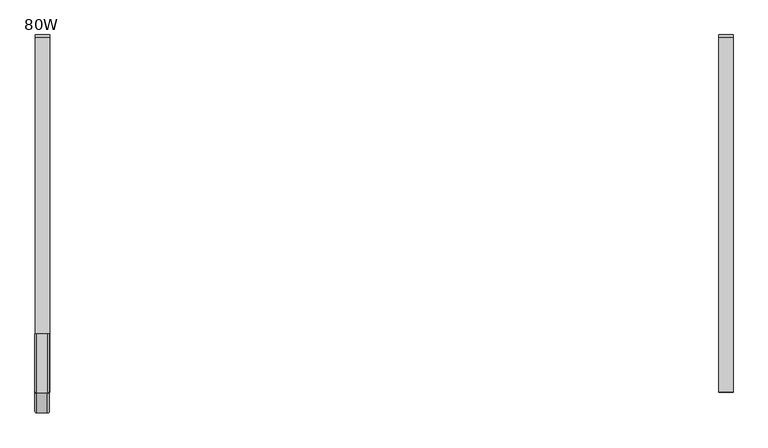
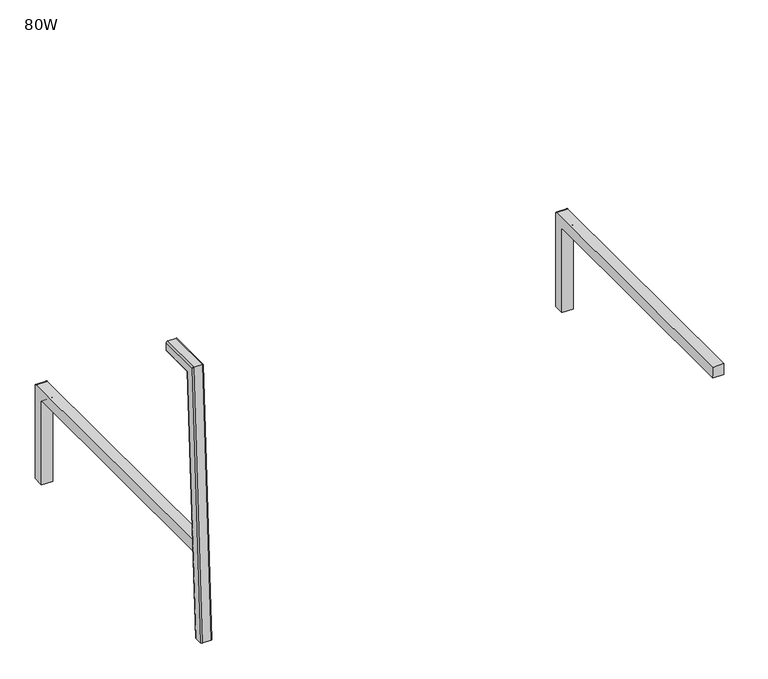
"""IFC4 building model written with IfcOpenShell, lengths in millimetres: furniture geometry, 80W."""

import ifcopenshell
import ifcopenshell.guid

model = None  # the IFC model being written
_history = None  # IfcOwnerHistory: only IFC2X3 demands one
_inside = {}  # id of a spatial element -> (the spatial element, [elements in it])
_under = {}  # id of a project, library or spatial element -> (it, [spatial elements below it])
_declared = {}  # id of a project -> (the project, [libraries it declares])
_typed = {}  # id of a type object -> (the type object, [elements of that type])
_made_of = {}  # id of a material, layer set ... -> (it, [elements and type objects made of it])


def new_model(schema):
    """Start an empty IFC model of exactly this schema.

    Asked for "IFC4X3", IfcOpenShell would pick the latest addendum, in which some entities
    have other attributes; the version numbers below select the first issue.
    IFC2X3 requires an IfcOwnerHistory on every rooted entity: one is made here for all.
    """
    global model, _history
    if schema == "IFC4X3":
        model = ifcopenshell.file(schema_version=(4, 3, 0, 0))
    else:
        model = ifcopenshell.file(schema=schema)
    _inside.clear()
    _under.clear()
    _declared.clear()
    _typed.clear()
    _made_of.clear()
    _history = None
    if model.schema == "IFC2X3":
        org = make("IfcOrganization", Name="unknown")
        user = make(
            "IfcPersonAndOrganization",
            ThePerson=make("IfcPerson", FamilyName="unknown"),
            TheOrganization=org,
        )
        app = make(
            "IfcApplication",
            ApplicationDeveloper=org,
            Version="unknown",
            ApplicationFullName="unknown",
            ApplicationIdentifier="unknown",
        )
        _history = make(
            "IfcOwnerHistory",
            OwningUser=user,
            OwningApplication=app,
            ChangeAction="ADDED",
            CreationDate=0,
        )
    return model


def make(cls, **values):
    """One entity of the class cls with the attributes given. An attribute that is None is left unset."""
    return model.create_entity(
        cls, **{name: value for name, value in values.items() if value is not None}
    )


def rooted(cls, **values):
    """An entity with a GlobalId (a new one), such as an element, a storey or a relation."""
    return make(cls, GlobalId=ifcopenshell.guid.new(), OwnerHistory=_history, **values)


def si_unit(unit_type, name, prefix=None):
    """IfcSIUnit, for example si_unit("LENGTHUNIT", "METRE", prefix="MILLI")."""
    return make("IfcSIUnit", UnitType=unit_type, Prefix=prefix, Name=name)


def assignment(units):
    """IfcUnitAssignment: the units of a project."""
    return None if units is None else make("IfcUnitAssignment", Units=units)


def point(xyz):
    """IfcCartesianPoint."""
    return None if xyz is None else make("IfcCartesianPoint", Coordinates=xyz)


def direction(xyz):
    """IfcDirection."""
    return None if xyz is None else make("IfcDirection", DirectionRatios=xyz)


def frame(location, z_axis=None, x_axis=None):
    """IfcAxis2Placement3D, a coordinate frame: its origin and axes. An axis left out is left unset."""
    return make(
        "IfcAxis2Placement3D",
        Location=point(location),
        Axis=direction(z_axis),
        RefDirection=direction(x_axis),
    )


def frame_2d(location, x_axis=None):
    """IfcAxis2Placement2D, a coordinate frame in the plane: its origin and x axis."""
    return make(
        "IfcAxis2Placement2D", Location=point(location), RefDirection=direction(x_axis)
    )


def origin():
    """The frame at (0, 0, 0) with its axes left unset."""
    return frame((0.0, 0.0, 0.0))


def place(relative_to, where):
    """IfcLocalPlacement: puts the frame where relative to a parent placement (None: the world)."""
    return make(
        "IfcLocalPlacement", PlacementRelTo=relative_to, RelativePlacement=where
    )


def context(
    kind, dimensions, precision=None, world=None, true_north=None, identifier=None
):
    """IfcGeometricRepresentationContext, for example the 3D "Model" context."""
    return make(
        "IfcGeometricRepresentationContext",
        ContextIdentifier=identifier,
        ContextType=kind,
        CoordinateSpaceDimension=dimensions,
        Precision=precision,
        WorldCoordinateSystem=world,
        TrueNorth=true_north,
    )


def project(units=None, contexts=None):
    """IfcProject with its units and contexts."""
    return rooted(
        "IfcProject",
        Name="project",
        RepresentationContexts=contexts,
        UnitsInContext=assignment(units),
    )


def spatial(cls, under=None, at=None, **own):
    """A site, building, storey or space (cls), placed at a placement, below another one or the project."""
    s = rooted(cls, ObjectPlacement=at, **own)
    if under is not None:
        _under.setdefault(under.id(), (under, []))[1].append(s)
    return s


def polyline(points):
    """IfcPolyline through the points."""
    return make("IfcPolyline", Points=[point(p) for p in points])


def circle_curve(where, radius):
    """IfcCircle in the frame where."""
    return make("IfcCircle", Position=where, Radius=radius)


def ellipse_curve(where, semi_axis1, semi_axis2):
    """IfcEllipse in the frame where."""
    return make(
        "IfcEllipse", Position=where, SemiAxis1=semi_axis1, SemiAxis2=semi_axis2
    )


def trimmed(basis, trim1, trim2, sense, master):
    """IfcTrimmedCurve: the piece of a basis curve between two trims."""
    return make(
        "IfcTrimmedCurve",
        BasisCurve=basis,
        Trim1=trim1,
        Trim2=trim2,
        SenseAgreement=sense,
        MasterRepresentation=master,
    )


def segment(curve, same_sense, transition):
    """IfcCompositeCurveSegment."""
    return make(
        "IfcCompositeCurveSegment",
        Transition=transition,
        SameSense=same_sense,
        ParentCurve=curve,
    )


def composite_curve(segments, self_intersect=None):
    """IfcCompositeCurve: segments joined end to end."""
    return make("IfcCompositeCurve", Segments=segments, SelfIntersect=self_intersect)


def outline(outer, holes=None, kind="AREA"):
    """IfcArbitraryClosedProfileDef: a profile drawn as a closed curve; with holes, ...WithVoids."""
    if holes is None:
        return make("IfcArbitraryClosedProfileDef", ProfileType=kind, OuterCurve=outer)
    return make(
        "IfcArbitraryProfileDefWithVoids",
        ProfileType=kind,
        OuterCurve=outer,
        InnerCurves=holes,
    )


def extrude(swept, where, along, depth):
    """IfcExtrudedAreaSolid: the profile swept, set in the frame where, extruded along a direction by depth."""
    return make(
        "IfcExtrudedAreaSolid",
        SweptArea=swept,
        Position=where,
        ExtrudedDirection=direction(along),
        Depth=depth,
    )


def shape(context_of_items, identifier, shape_type, items):
    """IfcShapeRepresentation: the items that make up one representation, for example the "Body"."""
    return make(
        "IfcShapeRepresentation",
        ContextOfItems=context_of_items,
        RepresentationIdentifier=identifier,
        RepresentationType=shape_type,
        Items=items,
    )


def source(mapping_origin, context_of_items, identifier, shape_type, items):
    """IfcRepresentationMap: a shape defined once, which mapped items show again and again."""
    return make(
        "IfcRepresentationMap",
        MappingOrigin=mapping_origin,
        MappedRepresentation=shape(context_of_items, identifier, shape_type, items),
    )


def transform(
    local_origin,
    x_axis=None,
    y_axis=None,
    z_axis=None,
    scale=None,
    scale2=None,
    scale3=None,
    uniform=True,
):
    """IfcCartesianTransformationOperator3D, or its non-uniform kind. x_axis, y_axis, z_axis: its Axis1, 2, 3."""
    if uniform:
        return make(
            "IfcCartesianTransformationOperator3D",
            Axis1=direction(x_axis),
            Axis2=direction(y_axis),
            LocalOrigin=point(local_origin),
            Scale=scale,
            Axis3=direction(z_axis),
        )
    return make(
        "IfcCartesianTransformationOperator3DnonUniform",
        Axis1=direction(x_axis),
        Axis2=direction(y_axis),
        LocalOrigin=point(local_origin),
        Scale=scale,
        Axis3=direction(z_axis),
        Scale2=scale2,
        Scale3=scale3,
    )


def mapped(mapping_source, mapping_target):
    """IfcMappedItem: shows the shape of a source again, moved by a transform."""
    return make(
        "IfcMappedItem", MappingSource=mapping_source, MappingTarget=mapping_target
    )


def made_of(thing, what):
    """Note that an element or type object is made of a material, layer set ...; save() writes the relation."""
    if what is not None:
        _made_of.setdefault(what.id(), (what, []))[1].append(thing)
    return thing


def element(
    cls,
    number,
    at=None,
    inside=None,
    cuts=None,
    type_object=None,
    material=None,
    context=None,
    identifier="Body",
    shape_type=None,
    held_by="IfcProductDefinitionShape",
    body=None,
    shapes=None,
    **own,
):
    """One element of the class cls, such as IfcWall. Its Tag is "e" and its number.

    at: its placement. inside: the storey or other place that contains it. cuts: it is an
    opening in that element (IfcRelVoidsElement). A single representation is given by context,
    identifier, shape_type and body (its items); several are given by shapes. held_by: the class
    of the entity that holds the representations. save() writes the other relations.
    """
    e = rooted(cls, Tag="e%d" % number, ObjectPlacement=at, **own)
    if body is not None:
        shapes = [shape(context, identifier, shape_type, body)]
    if shapes is not None:
        e.Representation = make(held_by, Representations=shapes)
    if inside is not None:
        _inside.setdefault(inside.id(), (inside, []))[1].append(e)
    if cuts is not None:
        rooted(
            "IfcRelVoidsElement", RelatingBuildingElement=cuts, RelatedOpeningElement=e
        )
    if type_object is not None:
        _typed.setdefault(type_object.id(), (type_object, []))[1].append(e)
    return made_of(e, material)


def aggregate(whole, parts):
    """IfcRelAggregates: a whole, such as a stair, and the parts it consists of."""
    return rooted("IfcRelAggregates", RelatingObject=whole, RelatedObjects=parts)


def save(model, path):
    """Write the relations noted so far, then the file.

    IfcRelAggregates (storeys below a building ...), IfcRelContainedInSpatialStructure (elements
    in a storey), IfcRelDefinesByType, IfcRelAssociatesMaterial and IfcRelDeclares: one each for
    every whole, place, type object, material and project.
    """
    for whole, parts in _under.values():
        aggregate(whole, parts)
    for where, things in _inside.values():
        rooted(
            "IfcRelContainedInSpatialStructure",
            RelatedElements=things,
            RelatingStructure=where,
        )
    for kind, things in _typed.values():
        rooted("IfcRelDefinesByType", RelatedObjects=things, RelatingType=kind)
    for what, things in _made_of.values():
        rooted("IfcRelAssociatesMaterial", RelatedObjects=things, RelatingMaterial=what)
    for by, libraries in _declared.values():
        rooted("IfcRelDeclares", RelatingContext=by, RelatedDefinitions=libraries)
    model.write(path)


def plane_surface(at):
    """IfcPlane: the flat surface through the origin of the frame at, square to its z axis."""
    return make("IfcPlane", Position=at)


def cylinder_surface(at, radius):
    """IfcCylindricalSurface: all points at the distance radius from the z axis of the frame at."""
    return make("IfcCylindricalSurface", Position=at, Radius=radius)


def advanced_brep(points, edges, surfaces, faces):
    """IfcAdvancedBrep: a solid bounded by faces that lie on surfaces and meet in shared edges.

    An edge is (start, end): straight between two places in points (the first is 0);
    or (start, end, curve); or (start, end, curve, False) where it runs against its curve.
    A face is (place in surfaces, loops), or (place, loops, False) where it looks against
    its surface's normal. A loop lists edges by number (the first is 1), with a minus sign
    where the edge is run from its end to its start. The first loop is the outer one.
    """
    corners = [point(p) for p in points]
    vertices = [make("IfcVertexPoint", VertexGeometry=c) for c in corners]
    made = []
    for start, end, *more in edges:
        made.append(
            make(
                "IfcEdgeCurve",
                EdgeStart=vertices[start],
                EdgeEnd=vertices[end],
                EdgeGeometry=more[0] if more else make("IfcPolyline", Points=[corners[start], corners[end]]),
                SameSense=more[1] if len(more) > 1 else True,
            )
        )
    hull = []
    for where, loops, *sense in faces:
        bounds = []
        for j, loop in enumerate(loops):
            ring = [make("IfcOrientedEdge", EdgeElement=made[abs(k) - 1], Orientation=k > 0) for k in loop]
            bounds.append(
                make(
                    "IfcFaceOuterBound" if j == 0 else "IfcFaceBound",
                    Bound=make("IfcEdgeLoop", EdgeList=ring),
                    Orientation=True,
                )
            )
        hull.append(make("IfcAdvancedFace", Bounds=bounds, FaceSurface=surfaces[where], SameSense=sense[0] if sense else True))
    return make("IfcAdvancedBrep", Outer=make("IfcClosedShell", CfsFaces=hull))


def furniture_80w_85862854(model_context):
    return source(origin(), model_context, "Body", "SolidModel", [
        advanced_brep(
        [(396.1570373, 140.07523, 663.2784096), (399.7130373, 140.07523, 659.7224096), (399.7130373, 140.07523, 641.490753), (396.1570373, 140.07523, 637.934753), (377.8315032, 140.07523, 637.934753), (374.3130373, 140.07523, 641.4532189), (374.3130373, 140.07523, 659.8422341), (377.7492127, 140.07523, 663.2784096), (377.7492127, 35.6046233, 663.2784096), (396.1570373, 35.6046233, 663.2784096), (374.3130373, 38.865432, 659.8422341), (374.3130373, 56.3159558, 641.4532189), (374.3130373, 23.4408219, 14.1582936), (374.3130373, 5.0770082, 15.1207003), (377.8315032, 59.6548553, 637.934753), (396.1570373, 59.6548553, 637.934753), (399.7130373, 56.2803373, 641.490753), (399.7130373, 38.9791413, 659.7224096), (399.7130373, 5.1966685, 15.1144291), (399.7130373, 23.4033392, 14.160258), (396.1570373, 1.6455419, 15.3005358), (377.7492127, 1.6455419, 15.3005358), (377.8315032, 26.9544658, 13.9741513), (396.1570373, 26.9544658, 13.9741513)],
        [
            (0, 1, circle_curve(frame((396.1570373, 140.07523, 659.7224096), z_axis=(0.0, 1.0, 0.0), x_axis=(0.0, 0.0, -1.0)), 3.556)),
            (1, 2),
            (2, 3, circle_curve(frame((396.1570373, 140.07523, 641.490753), z_axis=(0.0, 1.0, 0.0), x_axis=(0.0, 0.0, -1.0)), 3.556)),
            (3, 4),
            (4, 5, circle_curve(frame((377.8315032, 140.07523, 641.4532189), z_axis=(0.0, 1.0, 0.0), x_axis=(0.0, 0.0, -1.0)), 3.5184659)),
            (5, 6),
            (6, 7, circle_curve(frame((377.7492127, 140.07523, 659.8422341), z_axis=(0.0, 1.0, 0.0), x_axis=(0.0, 0.0, -1.0)), 3.4361755)),
            (7, 0),
            (7, 8),
            (8, 9),
            (9, 0),
            (6, 10),
            (10, 8, ellipse_curve(frame((377.7492127, 38.865432, 659.8422341), z_axis=(0.0, 0.7253743710122903, 0.6883545756937509), x_axis=(0.0, 0.6883545756937512, -0.7253743710122902)), 4.7371062, 3.4361755)),
            (5, 11),
            (11, 12),
            (12, 13),
            (13, 10),
            (4, 14),
            (14, 11, ellipse_curve(frame((377.8315032, 56.3159558, 641.4532189), z_axis=(0.0, 0.7253743710122903, 0.6883545756937509), x_axis=(0.0, 0.6883545756937512, -0.7253743710122902)), 4.8505517, 3.5184659)),
            (3, 15),
            (15, 14),
            (2, 16),
            (16, 15, ellipse_curve(frame((396.1570373, 56.2803373, 641.490753), z_axis=(0.0, 0.7253743710122903, 0.6883545756937509), x_axis=(0.0, 0.6883545756937512, -0.7253743710122902)), 4.9022962, 3.556)),
            (1, 17),
            (17, 18),
            (18, 19),
            (19, 16),
            (9, 17, ellipse_curve(frame((396.1570373, 38.9791413, 659.7224096), z_axis=(0.0, 0.7253743710122903, 0.6883545756937509), x_axis=(0.0, 0.6883545756937512, -0.7253743710122902)), 4.9022962, 3.556)),
            (20, 21),
            (21, 13, circle_curve(frame((377.7492127, 5.0770082, 15.1207003), z_axis=(0.0, -0.052335956242948733, -0.9986295347545737), x_axis=(0.0, 0.9986295347545737, -0.052335956242948733)), 3.4361755)),
            (12, 22, circle_curve(frame((377.8315032, 23.4408219, 14.1582936), z_axis=(0.0, -0.052335956242948733, -0.9986295347545737), x_axis=(0.0, 0.9986295347545737, -0.052335956242948733)), 3.5184659)),
            (22, 23),
            (23, 19, circle_curve(frame((396.1570373, 23.4033392, 14.160258), z_axis=(0.0, -0.052335956242948733, -0.9986295347545737), x_axis=(0.0, 0.9986295347545737, -0.052335956242948733)), 3.556)),
            (18, 20, circle_curve(frame((396.1570373, 5.1966685, 15.1144291), z_axis=(0.0, -0.052335956242948733, -0.9986295347545737), x_axis=(0.0, 0.9986295347545737, -0.052335956242948733)), 3.556)),
            (8, 21),
            (20, 9),
            (14, 22),
            (15, 23),
        ],
        [
            plane_surface(frame((387.2755006, 140.07523, 663.2784096), z_axis=(0.0, 1.0, 0.0), x_axis=(-1.0, 0.0, 0.0))),
            plane_surface(frame((396.1570373, 140.07523, 663.2784096), z_axis=(0.0, 0.0, 1.0), x_axis=(0.0, -1.0, 0.0))),
            cylinder_surface(frame((377.7492127, 140.07523, 659.8422341), z_axis=(0.0, 1.0, 0.0), x_axis=(0.0, 0.0, -1.0)), 3.4361755),
            plane_surface(frame((374.3130373, 140.07523, 659.8422341), z_axis=(-1.0, 0.0, 0.0), x_axis=(0.0, -1.0, 0.0))),
            cylinder_surface(frame((377.8315032, 140.07523, 641.4532189), z_axis=(0.0, 1.0, 0.0), x_axis=(0.0, 0.0, -1.0)), 3.5184659),
            plane_surface(frame((377.8315032, 140.07523, 637.934753), z_axis=(0.0, 0.0, -1.0), x_axis=(0.0, -1.0, 0.0))),
            cylinder_surface(frame((396.1570373, 140.07523, 641.490753), z_axis=(0.0, 1.0, 0.0), x_axis=(0.0, 0.0, -1.0)), 3.556),
            plane_surface(frame((399.7130373, 140.07523, 641.490753), z_axis=(1.0, 0.0, 0.0), x_axis=(0.0, -1.0, 0.0))),
            cylinder_surface(frame((396.1570373, 140.07523, 659.7224096), z_axis=(0.0, 1.0, 0.0), x_axis=(0.0, 0.0, -1.0)), 3.556),
            plane_surface(frame((387.2755006, 1.6455419, 15.3005358), z_axis=(0.0, -0.0523359562429453, -0.9986295347545738), x_axis=(-1.0, 0.0, 0.0))),
            plane_surface(frame((396.1570373, 35.6046233, 663.2784096), z_axis=(0.0, -0.9986295347545738, 0.05233595624294531), x_axis=(0.0, -0.05233595624294531, -0.9986295347545738))),
            cylinder_surface(frame((377.7492127, 39.0360896, 663.098574), z_axis=(0.0, 0.052335956242948733, 0.9986295347545737), x_axis=(0.0, 0.9986295347545737, -0.052335956242948733)), 3.4361755),
            cylinder_surface(frame((377.8315032, 57.3999032, 662.1361674), z_axis=(0.0, 0.052335956242948733, 0.9986295347545737), x_axis=(0.0, 0.9986295347545737, -0.052335956242948733)), 3.5184659),
            plane_surface(frame((377.8315032, 59.6548553, 637.934753), z_axis=(0.0, 0.9986295347545738, -0.052335956242945326), x_axis=(0.0, -0.052335956242945326, -0.9986295347545738))),
            cylinder_surface(frame((396.1570373, 57.3624206, 662.1381317), z_axis=(0.0, 0.052335956242948733, 0.9986295347545737), x_axis=(0.0, 0.9986295347545737, -0.052335956242948733)), 3.556),
            cylinder_surface(frame((396.1570373, 39.1557499, 663.0923029), z_axis=(0.0, 0.052335956242948733, 0.9986295347545737), x_axis=(0.0, 0.9986295347545737, -0.052335956242948733)), 3.556),
        ],
        [
            (0, [[1, 2, 3, 4, 5, 6, 7, 8]]),
            (1, [[9, 10, 11, -8]]),
            (2, [[12, 13, -9, -7]]),
            (3, [[14, 15, 16, 17, -12, -6]]),
            (4, [[18, 19, -14, -5]]),
            (5, [[20, 21, -18, -4]]),
            (6, [[22, 23, -20, -3]]),
            (7, [[24, 25, 26, 27, -22, -2]]),
            (8, [[-11, 28, -24, -1]]),
            (9, [[29, 30, -16, 31, 32, 33, -26, 34]]),
            (10, [[35, -29, 36, -10]]),
            (11, [[-17, -30, -35, -13]]),
            (12, [[37, -31, -15, -19]]),
            (13, [[38, -32, -37, -21]]),
            (14, [[-27, -33, -38, -23]]),
            (15, [[-36, -34, -25, -28]]),
        ],
    ),
        extrude(outline(composite_curve([segment(polyline([(662.1146725, 14.1031489), (636.7146725, 14.1031489), (636.7146725, 215.7082732)]), True, "CONTINUOUS"), segment(trimmed(circle_curve(frame_2d((633.6487025, 215.7082732)), 3.06597), [point((636.7146725, 215.7082732))], [point((633.6487025, 218.7742432))], True, "CARTESIAN"), True, "CONTINUOUS"), segment(polyline([(633.6487025, 218.7742432), (37.7444469, 218.7742432), (39.0060493, 244.1741947), (657.234081, 244.1741947)]), True, "CONTINUOUS"), segment(trimmed(circle_curve(frame_2d((657.234081, 239.2936032)), 4.8805915), [point((657.234081, 244.1741947))], [point((662.1146725, 239.2936032))], False, "CARTESIAN"), True, "CONTINUOUS"), segment(polyline([(662.1146725, 239.2936032), (662.1146725, 14.1031489)]), True, "CONTINUOUS")], self_intersect=False)), frame((374.5755006, 0.0, 0.0), z_axis=(1.0, 0.0, 0.0), x_axis=(0.0, 1.0, 0.0)), (0.0, 0.0, 1.0), 25.4),
        extrude(outline(composite_curve([segment(polyline([(662.1146725, 14.1031489), (636.7146725, 14.1031489), (636.7146725, 215.7082732)]), True, "CONTINUOUS"), segment(trimmed(circle_curve(frame_2d((633.6487025, 215.7082732)), 3.06597), [point((636.7146725, 215.7082732))], [point((633.6487025, 218.7742432))], True, "CARTESIAN"), True, "CONTINUOUS"), segment(polyline([(633.6487025, 218.7742432), (37.7444469, 218.7742432), (39.0060493, 244.1741947), (657.234081, 244.1741947)]), True, "CONTINUOUS"), segment(trimmed(circle_curve(frame_2d((657.234081, 239.2936032)), 4.8805915), [point((657.234081, 244.1741947))], [point((662.1146725, 239.2936032))], False, "CARTESIAN"), True, "CONTINUOUS"), segment(polyline([(662.1146725, 239.2936032), (662.1146725, 14.1031489)]), True, "CONTINUOUS")], self_intersect=False)), frame((1567.18, 0.0, 0.0), z_axis=(1.0, 0.0, 0.0), x_axis=(0.0, 1.0, 0.0)), (0.0, 0.0, 1.0), 25.4),
    ])


if __name__ == "__main__":
    model = new_model("IFC4")
    model_context = context("Model", 3, world=origin())
    ifc_project = project(units=[si_unit("LENGTHUNIT", "METRE", prefix="MILLI")], contexts=[model_context])
    site = spatial("IfcSite", under=ifc_project)
    building = spatial("IfcBuilding", under=site)
    placement = place(None, origin())
    furniture_80w_shape = furniture_80w_85862854(model_context)
    element("IfcFurniture", 1, ObjectType="80W", at=placement, inside=building, context=model_context, shape_type="MappedRepresentation", body=[
        mapped(furniture_80w_shape, transform((0.0, 0.0, 0.0), x_axis=(1.0, 0.0, 0.0), y_axis=(0.0, 1.0, 0.0), z_axis=(0.0, 0.0, 1.0))),
    ])
    save(model, "model.ifc")
